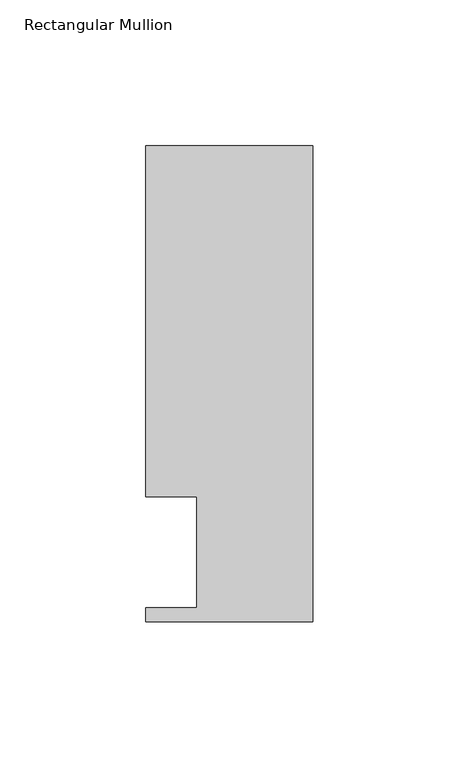
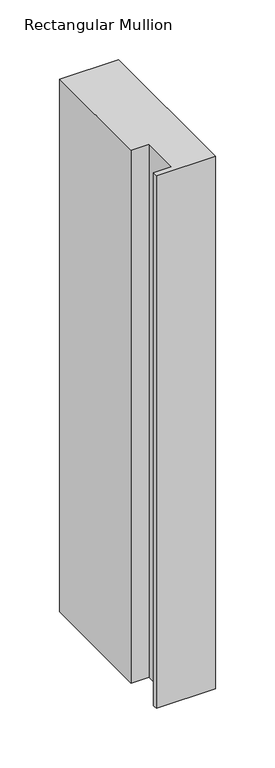
"""IFC4 building model written with IfcOpenShell, lengths in millimetres: member geometry, Rectangular Mullion."""

from ifc_helpers import new_model, si_unit, frame, origin, place, context, project, spatial, polyline, outline, extrude, source, transform, mapped, element, save


def rectangular_mullion_77e2247b(model_context):
    return source(origin(), model_context, "Body", "SweptSolid", [
        extrude(outline(polyline([(-57.15, 151.892), (0.0, 151.892), (0.0, -11.176), (-57.15, -11.176), (-57.15, -6.35), (-39.6748, -6.35), (-39.6748, 31.75), (-57.15, 31.75), (-57.15, 151.892)])), frame((0.0, 0.0, -546.1), z_axis=(0.0, 0.0, 1.0), x_axis=(1.0, 0.0, 0.0)), (0.0, 0.0, 1.0), 546.1),
    ])


if __name__ == "__main__":
    model = new_model("IFC4")
    model_context = context("Model", 3, world=origin())
    ifc_project = project(units=[si_unit("LENGTHUNIT", "METRE", prefix="MILLI")], contexts=[model_context])
    site = spatial("IfcSite", under=ifc_project)
    building = spatial("IfcBuilding", under=site)
    placement = place(None, origin())
    rectangular_mullion_shape = rectangular_mullion_77e2247b(model_context)
    element("IfcMember", 1, ObjectType="Rectangular Mullion", at=placement, inside=building, context=model_context, shape_type="MappedRepresentation", body=[
        mapped(rectangular_mullion_shape, transform((0.0, 0.0, 0.0), x_axis=(1.0, 0.0, 0.0), y_axis=(0.0, 1.0, 0.0), z_axis=(0.0, 0.0, 1.0))),
    ])
    save(model, "model.ifc")
